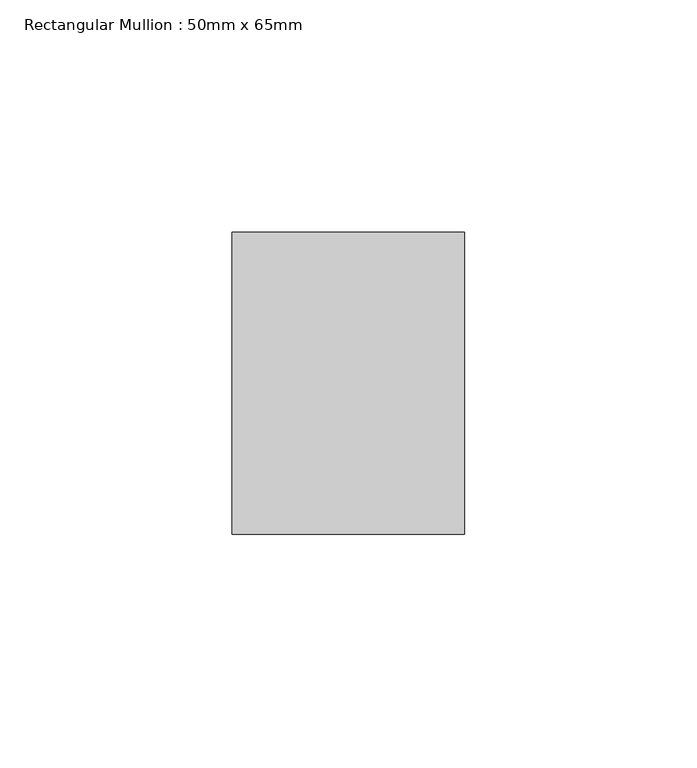
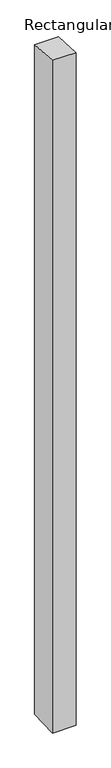
"""IFC4 building model written with IfcOpenShell, lengths in millimetres: member geometry, Rectangular Mullion : 50mm x 65mm."""

from ifc_helpers import new_model, si_unit, origin, place, context, project, spatial, faceted_brep, source, transform, mapped, element, save


def rectangular_mullion_50mm_x_65mm_b054b638(model_context):
    return source(origin(), model_context, "Body", "Brep", [
        faceted_brep([(-25.0, 32.5, -2.1659778), (25.0, 32.5, -2.1659767), (25.0, 32.5, -1498.7588398), (-25.0, 32.5, -1498.7588391), (-25.0, -32.5, 2.1659767), (-25.0, -32.5, -1501.2410214), (25.0, -32.5, 2.1659778), (25.0, -32.5, -1501.2410221)], [[[0, 1, 2, 3]], [[4, 0, 3, 5]], [[6, 4, 5, 7]], [[1, 6, 7, 2]], [[1, 0, 4, 6]], [[2, 7, 5, 3]]]),
    ])


if __name__ == "__main__":
    model = new_model("IFC4")
    model_context = context("Model", 3, world=origin())
    ifc_project = project(units=[si_unit("LENGTHUNIT", "METRE", prefix="MILLI")], contexts=[model_context])
    site = spatial("IfcSite", under=ifc_project)
    building = spatial("IfcBuilding", under=site)
    placement = place(None, origin())
    rectangular_mullion_50mm_x_65mm_shape = rectangular_mullion_50mm_x_65mm_b054b638(model_context)
    element("IfcMember", 1, ObjectType="Rectangular Mullion : 50mm x 65mm", at=placement, inside=building, context=model_context, shape_type="MappedRepresentation", body=[
        mapped(rectangular_mullion_50mm_x_65mm_shape, transform((0.0, 0.0, 0.0), x_axis=(1.0, 0.0, 0.0), y_axis=(0.0, 1.0, 0.0), z_axis=(0.0, 0.0, 1.0))),
    ])
    save(model, "model.ifc")
